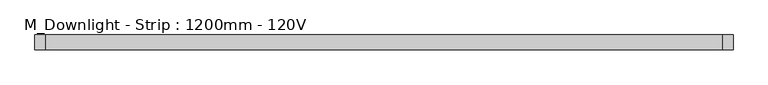
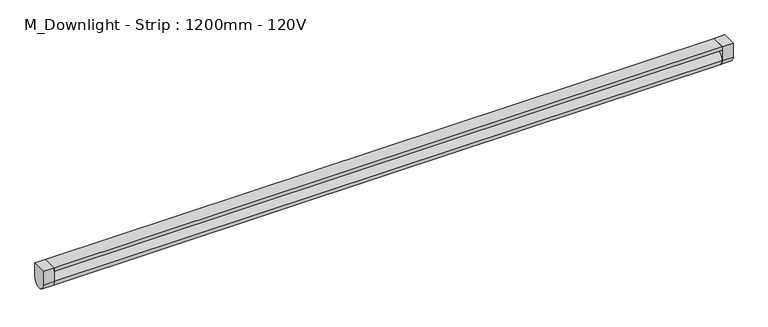
"""IFC4 building model written with IfcOpenShell, lengths in millimetres: light fixture geometry, M_Downlight - Strip : 1200mm - 120V."""

from ifc_helpers import new_model, si_unit, point, frame, frame_2d, origin, place, context, project, spatial, polyline, circle_curve, trimmed, segment, composite_curve, outline, extrude, source, transform, mapped, element, save


def m_downlight_strip_1200mm_120v_72c973f1(model_context):
    return source(origin(), model_context, "Body", "SweptSolid", [
        extrude(outline(polyline([(580.95, -205.9435765), (580.95, -231.3435765), (-580.95, -231.3435765), (-580.95, -205.9435765), (580.95, -205.9435765)])), frame((0.0, 0.0, 1343.65), z_axis=(0.0, 0.0, 1.0), x_axis=(1.0, 0.0, 0.0)), (0.0, 0.0, 1.0), 6.35),
        extrude(outline(composite_curve([segment(trimmed(circle_curve(frame_2d((-218.6435765, 1324.6)), 12.7), [point((-205.9435765, 1324.6))], [point((-231.3435765, 1324.6))], False, "CARTESIAN"), True, "CONTINUOUS"), segment(polyline([(-231.3435765, 1324.6), (-231.3435765, 1350.0), (-205.9435765, 1350.0), (-205.9435765, 1324.6)]), True, "CONTINUOUS")], self_intersect=False)), frame((-600.0, 0.0, 0.0), z_axis=(1.0, 0.0, 0.0), x_axis=(0.0, 1.0, 0.0)), (0.0, 0.0, 1.0), 19.05),
        extrude(outline(composite_curve([segment(trimmed(circle_curve(frame_2d((-218.6435765, 1324.6)), 12.7), [point((-205.9435765, 1324.6))], [point((-231.3435765, 1324.6))], False, "CARTESIAN"), True, "CONTINUOUS"), segment(polyline([(-231.3435765, 1324.6), (-231.3435765, 1350.0), (-205.9435765, 1350.0), (-205.9435765, 1324.6)]), True, "CONTINUOUS")], self_intersect=False)), frame((580.95, 0.0, 0.0), z_axis=(1.0, 0.0, 0.0), x_axis=(0.0, 1.0, 0.0)), (0.0, 0.0, 1.0), 19.05),
        extrude(outline(composite_curve([segment(trimmed(circle_curve(frame_2d((-218.6435765, 1324.6)), 12.7), [point((-231.3435765, 1324.6))], [point((-205.9435765, 1324.6))], False, "CARTESIAN"), True, "CONTINUOUS"), segment(trimmed(circle_curve(frame_2d((-218.6435765, 1324.6)), 12.7), [point((-205.9435765, 1324.6))], [point((-231.3435765, 1324.6))], False, "CARTESIAN"), True, "CONTINUOUS")], self_intersect=False)), frame((-580.95, 0.0, 0.0), z_axis=(1.0, 0.0, 0.0), x_axis=(0.0, 1.0, 0.0)), (0.0, 0.0, 1.0), 1161.9),
    ])


if __name__ == "__main__":
    model = new_model("IFC4")
    model_context = context("Model", 3, world=origin())
    ifc_project = project(units=[si_unit("LENGTHUNIT", "METRE", prefix="MILLI")], contexts=[model_context])
    site = spatial("IfcSite", under=ifc_project)
    building = spatial("IfcBuilding", under=site)
    placement = place(None, origin())
    m_downlight_strip_1200mm_120v_shape = m_downlight_strip_1200mm_120v_72c973f1(model_context)
    element("IfcLightFixture", 1, ObjectType="M_Downlight - Strip : 1200mm - 120V", at=placement, inside=building, context=model_context, shape_type="MappedRepresentation", body=[
        mapped(m_downlight_strip_1200mm_120v_shape, transform((0.0, 0.0, 0.0), x_axis=(1.0, 0.0, 0.0), y_axis=(0.0, 1.0, 0.0), z_axis=(0.0, 0.0, 1.0))),
    ])
    save(model, "model.ifc")
